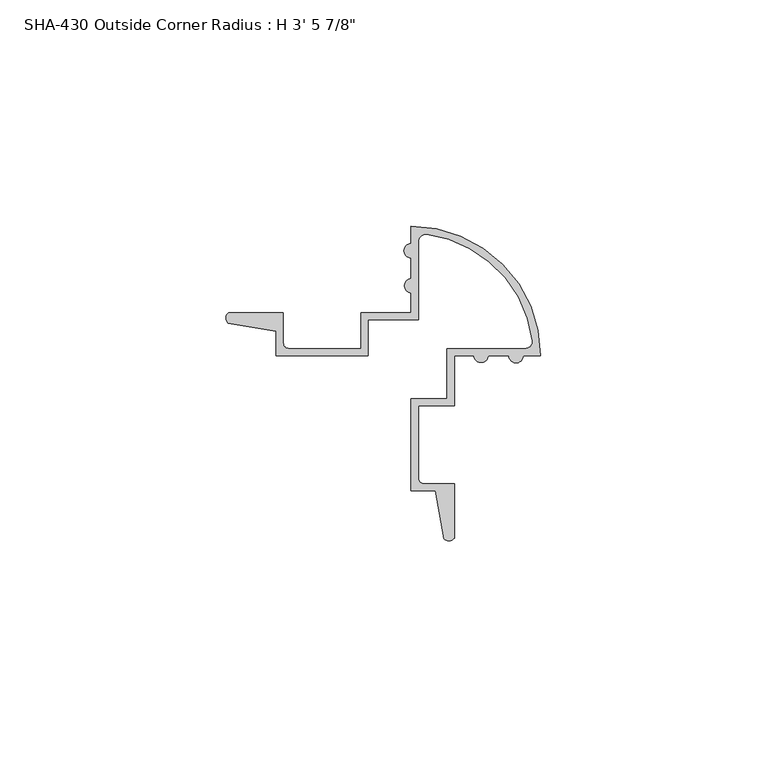
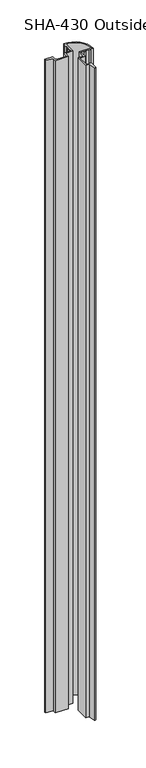
"""IFC4 building model written with IfcOpenShell, lengths in millimetres: proxy geometry."""

from ifc_helpers import new_model, si_unit, point, frame_2d, origin, origin_with_axes, place, context, project, spatial, polyline, circle_curve, trimmed, segment, composite_curve, outline, extrude, source, transform, mapped, element, save


def proxy_7d60e1ff(model_context):
    return source(origin(), model_context, "Body", "SweptSolid", [
        extrude(outline(composite_curve([segment(trimmed(circle_curve(frame_2d((-28.6874304, 18.9395545)), 1.617315), [point((-29.8450418, 17.8101106))], [point((-29.778914, 20.1330248))], False, "CARTESIAN"), True, "CONTINUOUS"), segment(polyline([(-29.778914, 20.1330248), (-17.6860681, 20.1330248), (-17.6860681, 13.4483789)]), True, "CONTINUOUS"), segment(trimmed(circle_curve(frame_2d((-16.4152229, 13.4483789)), 1.2708452), [point((-17.6860681, 13.4483789))], [point((-16.4152229, 12.1775337))], True, "CARTESIAN"), True, "CONTINUOUS"), segment(polyline([(-16.4152229, 12.1775337), (-0.5082223, 12.1775337), (-0.5082223, 20.1330248), (10.5989649, 20.1330248), (10.5989649, 24.4793155)]), True, "CONTINUOUS"), segment(trimmed(circle_curve(frame_2d((10.6900109, 26.0551635)), 1.578476), [point((10.5989649, 24.4793155))], [point((10.5989649, 27.6310116))], False, "CARTESIAN"), True, "CONTINUOUS"), segment(polyline([(10.5989649, 27.6310116), (10.5989649, 32.2187628)]), True, "CONTINUOUS"), segment(trimmed(circle_curve(frame_2d((10.5989649, 33.7946109)), 1.5758481), [point((10.5989649, 32.2187628))], [point((10.5989649, 35.370459))], False, "CARTESIAN"), True, "CONTINUOUS"), segment(polyline([(10.5989649, 35.370459), (10.5989649, 39.1957031)]), True, "CONTINUOUS"), segment(trimmed(circle_curve(frame_2d((10.5989649, 10.6016856)), 28.5940175), [point((10.5989649, 39.1957031))], [point((39.1929824, 10.6016856))], False, "CARTESIAN"), True, "CONTINUOUS"), segment(polyline([(39.1929824, 10.6016856), (35.3677382, 10.6016856)]), True, "CONTINUOUS"), segment(trimmed(circle_curve(frame_2d((33.7918902, 10.6016856)), 1.5758481), [point((35.3677382, 10.6016856))], [point((32.2160421, 10.6016856))], False, "CARTESIAN"), True, "CONTINUOUS"), segment(polyline([(32.2160421, 10.6016856), (27.6282909, 10.6016856)]), True, "CONTINUOUS"), segment(trimmed(circle_curve(frame_2d((26.0524428, 10.6927316)), 1.578476), [point((27.6282909, 10.6016856))], [point((24.4765947, 10.6016856))], False, "CARTESIAN"), True, "CONTINUOUS"), segment(polyline([(24.4765947, 10.6016856), (20.130304, 10.6016856), (20.130304, -0.5055016), (12.174813, -0.5055016), (12.174813, -16.4125022)]), True, "CONTINUOUS"), segment(trimmed(circle_curve(frame_2d((13.4456582, -16.4125022)), 1.2708452), [point((12.174813, -16.4125022))], [point((13.4456582, -17.6833474))], True, "CARTESIAN"), True, "CONTINUOUS"), segment(polyline([(13.4456582, -17.6833474), (20.130304, -17.6833474), (20.130304, -29.7761933)]), True, "CONTINUOUS"), segment(trimmed(circle_curve(frame_2d((18.9368338, -28.6847097)), 1.617315), [point((20.130304, -29.7761933))], [point((17.8073899, -29.8423211))], False, "CARTESIAN"), True, "CONTINUOUS"), segment(polyline([(17.8073899, -29.8423211), (15.9952108, -19.2591955), (10.5989649, -19.2591955), (10.5989649, 1.0703465), (18.554456, 1.0703465), (18.554456, 12.1775337), (35.8181158, 12.1775337)]), True, "CONTINUOUS"), segment(trimmed(circle_curve(frame_2d((35.8181158, 13.7660902)), 1.5885565), [point((35.8181158, 12.1775337))], [point((37.3943128, 13.9638655))], True, "CARTESIAN"), True, "CONTINUOUS"), segment(trimmed(circle_curve(frame_2d((10.5989649, 10.6016856)), 27.0054609), [point((37.3943128, 13.9638655))], [point((13.9611448, 37.3970335))], True, "CARTESIAN"), True, "CONTINUOUS"), segment(trimmed(circle_curve(frame_2d((13.7633695, 35.8208366)), 1.5885565), [point((13.9611448, 37.3970335))], [point((12.174813, 35.8208366))], True, "CARTESIAN"), True, "CONTINUOUS"), segment(polyline([(12.174813, 35.8208366), (12.174813, 18.5571767), (1.0676257, 18.5571767), (1.0676257, 10.6016856), (-19.2619162, 10.6016856), (-19.2619162, 15.9979316), (-29.8450418, 17.8101106)]), True, "CONTINUOUS")], self_intersect=False)), origin_with_axes(), (0.0, 0.0, 1.0), 1063.625),
    ])


if __name__ == "__main__":
    model = new_model("IFC4")
    model_context = context("Model", 3, world=origin())
    ifc_project = project(units=[si_unit("LENGTHUNIT", "METRE", prefix="MILLI")], contexts=[model_context])
    site = spatial("IfcSite", under=ifc_project)
    building = spatial("IfcBuilding", under=site)
    placement = place(None, origin())
    proxy_shape = proxy_7d60e1ff(model_context)
    element("IfcBuildingElementProxy", 1, Name="SHA-430 Outside Corner Radius : H 3' 5 7/8\"", ObjectType="SHA-430 Outside Corner Radius : H 3' 5 7/8\"", at=placement, inside=building, context=model_context, shape_type="MappedRepresentation", body=[
        mapped(proxy_shape, transform((0.0, 0.0, 0.0), x_axis=(1.0, 0.0, 0.0), y_axis=(0.0, 1.0, 0.0), z_axis=(0.0, 0.0, 1.0))),
    ])
    save(model, "model.ifc")
